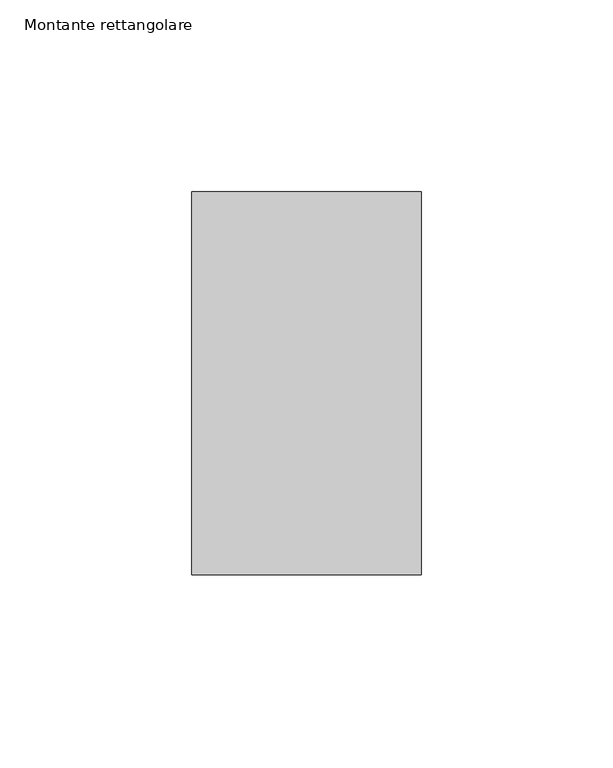
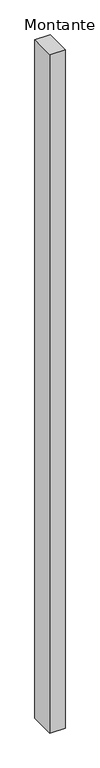
"""IFC4 building model written with IfcOpenShell, lengths in millimetres: member geometry, Montante rettangolare."""

from ifc_helpers import new_model, si_unit, frame, origin, place, context, project, spatial, polyline, outline, extrude, source, transform, mapped, element, save


def montante_rettangolare_34a8f69a(model_context):
    return source(origin(), model_context, "Body", "SweptSolid", [
        extrude(outline(polyline([(0.0, 50.0), (0.0, -50.0), (-60.0, -50.0), (-60.0, 50.0), (0.0, 50.0)])), frame((0.0, 0.0, -2800.0), z_axis=(0.0, 0.0, 1.0), x_axis=(1.0, 0.0, 0.0)), (0.0, 0.0, 1.0), 2800.0),
    ])


if __name__ == "__main__":
    model = new_model("IFC4")
    model_context = context("Model", 3, world=origin())
    ifc_project = project(units=[si_unit("LENGTHUNIT", "METRE", prefix="MILLI")], contexts=[model_context])
    site = spatial("IfcSite", under=ifc_project)
    building = spatial("IfcBuilding", under=site)
    placement = place(None, origin())
    montante_rettangolare_shape = montante_rettangolare_34a8f69a(model_context)
    element("IfcMember", 1, ObjectType="Montante rettangolare", at=placement, inside=building, context=model_context, shape_type="MappedRepresentation", body=[
        mapped(montante_rettangolare_shape, transform((0.0, 0.0, 0.0), x_axis=(1.0, 0.0, 0.0), y_axis=(0.0, 1.0, 0.0), z_axis=(0.0, 0.0, 1.0))),
    ])
    save(model, "model.ifc")
